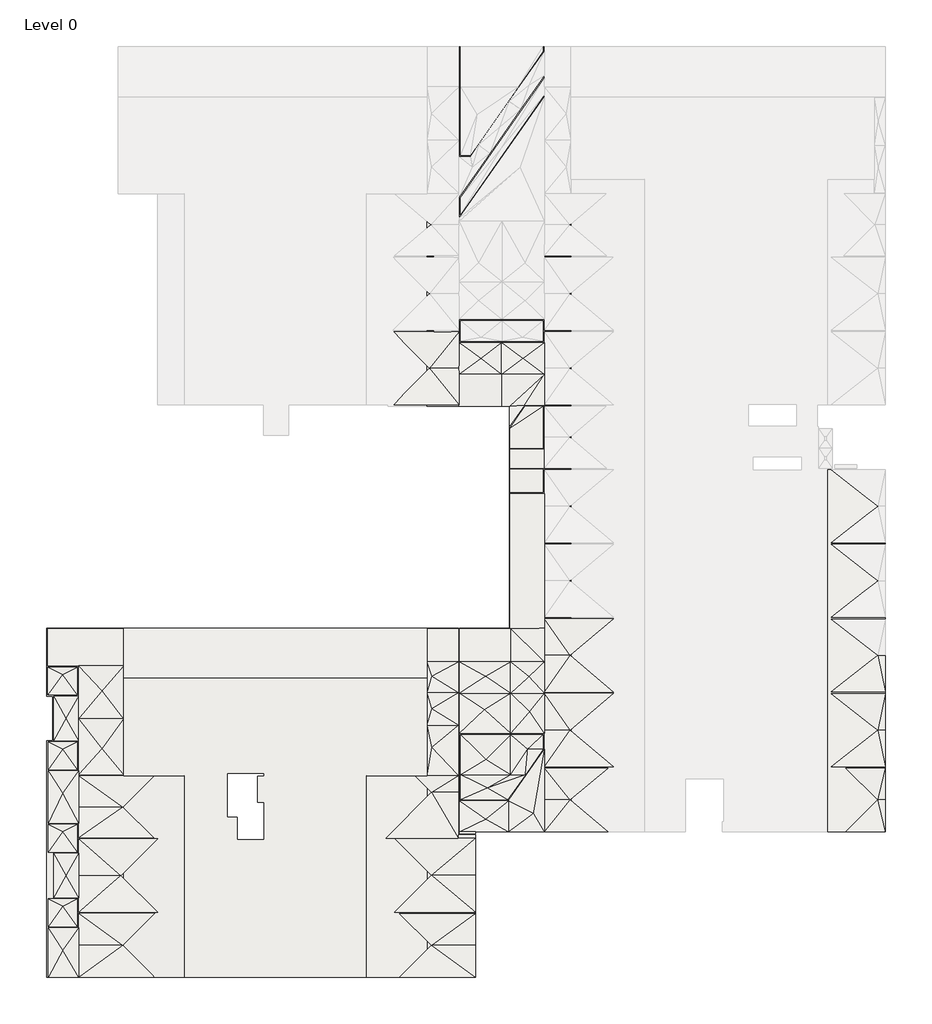
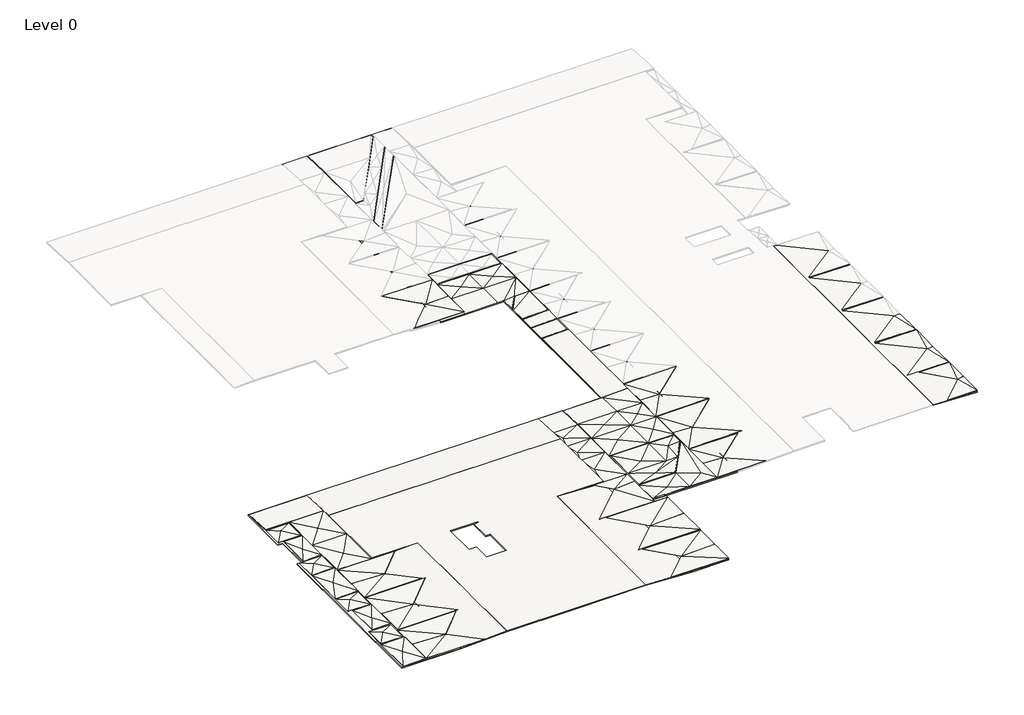
# One storey, part 1 of 2: 53 slabs.
"""IFC4 building model written with IfcOpenShell, lengths in millimetres."""

from ifc_helpers import new_model, si_unit, frame, origin, place, context, project, spatial, polyline, outline, extrude, faceted_brep, element, save

model = new_model("IFC4")

# Units and contexts
model_context = context("Model", 3, world=origin())
ifc_project = project(units=[si_unit("LENGTHUNIT", "METRE", prefix="MILLI")], contexts=[model_context])

# Site, building, storey
site = spatial("IfcSite", under=ifc_project)
building = spatial("IfcBuilding", under=site)
storey = spatial("IfcBuildingStorey", under=building, Name="Level 0", Elevation=0.0)

# Slabs
placement = place(None, origin())
element("IfcSlab", 1, ObjectType="125 Thick Level 1 Topping (+600 beams)", at=placement, inside=storey, context=model_context, shape_type="SweptSolid", body=[
    extrude(outline(polyline([(50179.7659553, -96764.1689347), (65623.7655601, -96764.1689347), (65623.7655601, -180984.1692066), (55371.7659576, -180984.1692066), (55371.7659576, -181184.1689347), (53651.7659553, -181184.1689347), (53651.7659553, -159164.168837), (59051.7660487, -159164.168837), (59051.7660487, -135364.1689347), (50179.7659553, -135364.1689347), (50179.7659553, -96764.1689347)])), frame((0.0, 0.0, -550.0), z_axis=(0.0, 0.0, 1.0), x_axis=(1.0, 0.0, 0.0)), (0.0, 0.0, 1.0), 125.0),
    extrude(outline(polyline([(50179.7659553, -159164.168837), (53551.7659553, -159164.168837), (53551.7659553, -181284.1689347), (55371.7659576, -181284.1689347), (55371.7659576, -196594.1689347), (50179.7659553, -196594.1689347), (50179.7659553, -159164.168837)])), frame((0.0, 0.0, -550.0), z_axis=(0.0, 0.0, 1.0), x_axis=(1.0, 0.0, 0.0)), (0.0, 0.0, 1.0), 125.0),
])
element("IfcSlab", 2, ObjectType="125 Thick Level 1 Topping (+600 beams)", at=placement, inside=storey, context=model_context, shape_type="SweptSolid", body=[
    extrude(outline(polyline([(9351.763187, -196594.1689347), (9351.763187, -171189.1689347), (9991.763187, -171189.1689347), (9991.763187, -166439.1689347), (9351.763187, -166439.1689347), (9351.763187, -159164.168837), (17623.7659553, -159164.168837), (17623.7659553, -196594.1689347), (9351.763187, -196594.1689347)])), frame((0.0, 0.0, -550.0), z_axis=(0.0, 0.0, 1.0), x_axis=(1.0, 0.0, 0.0)), (0.0, 0.0, 1.0), 125.0),
])
element("IfcSlab", 3, ObjectType="125 Thick Level 1 Topping (+600 beams)", at=placement, inside=storey, context=model_context, shape_type="SweptSolid", body=[
    extrude(outline(polyline([(-250.076193, 93106.7655601), (-468.1563985, 99351.7655601), (-343.0802055, 99351.7655601), (-125.0, 93106.7655601), (-250.076193, 93106.7655601)])), frame((0.0, -180984.1689347, 0.0), z_axis=(0.0, 1.0, 0.0), x_axis=(0.0, 0.0, 1.0)), (0.0, 0.0, 1.0), 38820.0),
])
element("IfcSlab", 4, ObjectType="125 Thick Level 1 Topping (+600 beams)", at=placement, inside=storey, context=model_context, shape_type="SweptSolid", body=[
    extrude(outline(polyline([(17623.7659553, -164528.1689347), (50179.7659553, -164528.1689347), (50179.7659553, -174950.1689347), (43706.7659553, -174950.1689347), (43706.7659553, -196594.1689347), (33452.4178691, -196594.1689347), (24096.7659553, -196594.1689347), (24096.7659553, -174951.1689347), (17623.7659553, -174951.1689347), (17623.7659553, -164528.1689347)]), holes=[polyline([(32625.7659553, -174769.1689347), (28786.7848881, -174769.1689347), (28786.7848881, -179364.1689347), (29876.7659553, -179364.1689347), (29876.7659553, -181764.1689347), (32626.7659553, -181764.1689347), (32626.7659553, -177864.1689347), (31956.7848881, -177864.1689347), (31956.7848881, -174969.1689347), (32625.7659553, -174969.1689347), (32625.7659553, -174769.1689347)])]), frame((0.0, 0.0, -250.0), z_axis=(0.0, 0.0, 1.0), x_axis=(1.0, 0.0, 0.0)), (0.0, 0.0, 1.0), 125.0),
])
element("IfcSlab", 5, ObjectType="125 Thick Level 1 Topping (+600 beams)", at=placement, inside=storey, context=model_context, shape_type="SweptSolid", body=[
    extrude(outline(polyline([(-250.1288114, 43706.7659553), (-544.0660214, 50179.7659553), (-418.93721, 50179.7659553), (-125.0, 43706.7659553), (-250.1288114, 43706.7659553)])), frame((0.0, -196594.1689347, 0.0), z_axis=(0.0, 1.0, 0.0), x_axis=(0.0, 0.0, 1.0)), (0.0, 0.0, 1.0), 21644.0),
])
element("IfcSlab", 6, ObjectType="125 Thick Level 1 Topping (+600 beams)", at=placement, inside=storey, context=model_context, shape_type="SweptSolid", body=[
    extrude(outline(polyline([(-159164.168837, -550.0893728), (-164528.1689347, -250.1952089), (-164528.1689347, -125.0), (-159164.168837, -424.894164), (-159164.168837, -550.0893728)])), frame((17623.7659553, 0.0, 0.0), z_axis=(1.0, 0.0, 0.0), x_axis=(0.0, 1.0, 0.0)), (0.0, 0.0, 1.0), 32556.0),
])
element("IfcSlab", 7, ObjectType="125 Thick Level 1 Topping (+600 beams)", at=placement, inside=storey, context=model_context, shape_type="SweptSolid", body=[
    extrude(outline(polyline([(-549.7316596, 17623.7659553), (-250.1338178, 24096.7659553), (-125.0, 24096.7659553), (-424.5978419, 17623.7659553), (-549.7316596, 17623.7659553)])), frame((0.0, -196594.1689347, 0.0), z_axis=(0.0, 1.0, 0.0), x_axis=(0.0, 0.0, 1.0)), (0.0, 0.0, 1.0), 21643.0),
])
element("IfcSlab", 8, ObjectType="75 Screed", at=placement, inside=storey, context=model_context, shape_type="Brep", body=[
    faceted_brep([(62773.7655613, -128504.1689347, -305.0), (62773.7655613, -128504.1689347, -300.0), (62773.7655613, -131926.6689347, -300.0), (62773.7655613, -135209.1689347, -300.0), (62773.7655613, -135209.1689347, -305.0), (62773.7655613, -131926.6689347, -305.0), (53629.7659553, -135364.1689347, -430.0), (53629.7659553, -135364.1689347, -425.0), (53629.7659553, -131926.6689347, -300.0), (53629.7659553, -128504.1689347, -300.0), (53629.7659553, -128504.1689347, -305.0), (53629.7659553, -131926.6689347, -305.0), (58179.4010299, -128504.1689347, -300.0), (58179.4010299, -128504.1689347, -305.0), (60631.9975409, -135209.1689347, -380.0), (60631.9975409, -135209.1689347, -385.0), (55956.9988266, -130208.0191298, -400.0), (55956.9988266, -130208.0191298, -405.0), (60476.0108989, -130208.0191298, -400.0), (60476.0108989, -130208.0191298, -405.0), (58179.4010299, -131926.6689347, -300.0), (58179.4010299, -135364.1689347, -425.0), (58179.4010299, -131926.6689347, -305.0), (58179.4010299, -135364.1689347, -430.0), (59051.7660487, -137465.9733905, -362.5), (59051.7660487, -137465.9733905, -367.5), (59051.7660487, -135364.1689347, -425.0), (59051.7660487, -135364.1689347, -430.0)], [[[0, 1, 2, 3, 4, 5]], [[6, 7, 8, 9, 10, 11]], [[10, 9, 12, 1, 0, 13]], [[4, 3, 14, 15]], [[9, 8, 16]], [[10, 17, 11]], [[1, 12, 18]], [[3, 2, 14]], [[0, 19, 13]], [[4, 15, 5]], [[20, 16, 8]], [[20, 8, 7, 21]], [[9, 16, 12]], [[12, 16, 20]], [[20, 2, 18]], [[12, 20, 18]], [[1, 18, 2]], [[22, 11, 17]], [[22, 23, 6, 11]], [[10, 13, 17]], [[13, 22, 17]], [[22, 19, 5]], [[13, 19, 22]], [[0, 5, 19]], [[15, 14, 24, 25]], [[25, 24, 26, 27]], [[27, 26, 21, 7, 6, 23]], [[26, 24, 14]], [[27, 15, 25]], [[20, 21, 26, 2]], [[22, 5, 27, 23]], [[2, 26, 14]], [[5, 15, 27]]]),
])
element("IfcSlab", 9, ObjectType="75 Screed", at=placement, inside=storey, context=model_context, shape_type="Brep", body=[
    faceted_brep([(62633.7655613, -135349.1689347, -305.0), (62633.7655613, -135349.1689347, -300.0), (62633.7655613, -139824.1689347, -300.0), (62633.7655613, -139824.1689347, -305.0), (59064.0533293, -139824.1689347, -425.0), (59064.0533293, -139824.1689347, -430.0), (59064.0533293, -137692.5078865, -430.0), (59064.0533293, -137692.5078865, -425.0), (60704.876928, -135349.1689347, -300.0), (60704.876928, -135349.1689347, -305.0)], [[[0, 1, 2, 3]], [[3, 2, 4, 5]], [[6, 7, 8, 9]], [[9, 8, 1, 0]], [[5, 4, 7, 6]], [[8, 7, 1]], [[9, 0, 6]], [[7, 4, 2, 1]], [[6, 0, 3, 5]]]),
])
element("IfcSlab", 10, ObjectType="75 Screed", at=placement, inside=storey, context=model_context, shape_type="SweptSolid", body=[
    extrude(outline(polyline([(-305.0, 62633.7655613), (-300.0, 62633.7655613), (-425.0, 59051.7660487), (-430.0, 59051.7660487), (-305.0, 62633.7655613)])), frame((0.0, -144564.1689347, 0.0), z_axis=(0.0, 1.0, 0.0), x_axis=(0.0, 0.0, 1.0)), (0.0, 0.0, 1.0), 2450.0),
])
element("IfcSlab", 11, ObjectType="75 Screed", at=placement, inside=storey, context=model_context, shape_type="Brep", body=[
    faceted_brep([(58834.7383905, -177524.1689347, -305.0), (58834.7383905, -177524.1689347, -300.0), (53791.7659553, -177524.1689347, -300.0), (53791.7659553, -177524.1689347, -305.0), (53791.7659553, -174839.1689347, -300.0), (53791.7659553, -170554.1689347, -300.0), (53791.7659553, -170554.1689347, -305.0), (53791.7659553, -174839.1689347, -305.0), (59151.3546971, -170554.1689347, -300.0), (62633.7655613, -170554.1689347, -300.0), (62633.7655613, -170554.1689347, -305.0), (59151.3546971, -170554.1689347, -305.0), (62633.7655613, -172098.5958532, -300.0), (62633.7655613, -172098.5958532, -305.0), (60720.8199688, -174830.5652881, -300.0), (60720.8199688, -174830.5652881, -305.0), (60974.4792392, -172103.325335, -400.0), (60974.4792392, -172103.325335, -405.0), (56644.1047397, -176274.0812342, -400.0), (56493.0224104, -173214.1689347, -400.0), (56644.1047397, -176274.0812342, -405.0), (56493.0224104, -173214.1689347, -405.0), (59151.3546971, -174839.1689347, -300.0), (59151.3546971, -174839.1689347, -305.0)], [[[0, 1, 2, 3]], [[3, 2, 4, 5, 6, 7]], [[6, 5, 8, 9, 10, 11]], [[10, 9, 12, 13]], [[13, 12, 14, 1, 0, 15]], [[12, 9, 16]], [[13, 17, 10]], [[2, 1, 18]], [[5, 4, 19]], [[3, 20, 0]], [[6, 21, 7]], [[2, 18, 4]], [[5, 19, 8]], [[12, 16, 14]], [[9, 8, 16]], [[8, 19, 22]], [[3, 7, 20]], [[6, 11, 21]], [[13, 15, 17]], [[10, 17, 11]], [[11, 23, 21]], [[1, 14, 18]], [[0, 20, 15]], [[4, 18, 22]], [[7, 23, 20]], [[4, 22, 19]], [[16, 22, 14]], [[8, 22, 16]], [[7, 21, 23]], [[17, 15, 23]], [[11, 17, 23]], [[18, 14, 22]], [[20, 23, 15]]]),
])
element("IfcSlab", 12, ObjectType="75 Screed", at=placement, inside=storey, context=model_context, shape_type="Brep", body=[
    faceted_brep([(62773.7655613, -159164.168837, -305.0), (62773.7655613, -159164.168837, -300.0), (62773.7655613, -162754.168837, -300.0), (62773.7655613, -166109.1688858, -300.0), (62773.7655613, -170414.1689347, -300.0), (62773.7655613, -170414.1689347, -305.0), (62773.7655613, -166109.1688858, -305.0), (62773.7655613, -162754.168837, -305.0), (59151.7660487, -170414.1689347, -300.0), (53651.7659553, -170414.1689347, -300.0), (53651.7659553, -170414.1689347, -305.0), (59151.7660487, -170414.1689347, -305.0), (53651.7659553, -166109.1688858, -300.0), (53651.7659553, -162754.168837, -300.0), (53651.7659553, -159164.168837, -425.0), (53651.7659553, -159164.168837, -430.0), (53651.7659553, -162754.168837, -305.0), (53651.7659553, -166109.1688858, -305.0), (59151.7660487, -159164.168837, -425.0), (59151.7660487, -159164.168837, -430.0), (56328.8971843, -167866.9537954, -400.0), (61186.5459311, -168084.4431529, -400.0), (56328.8971843, -167866.9537954, -405.0), (61186.5459311, -168084.4431529, -405.0), (59151.7660487, -166109.1688858, -300.0), (56466.7660487, -164294.7589171, -400.0), (59151.7660487, -166109.1688858, -305.0), (56466.7660487, -164294.7589171, -405.0), (59151.7660487, -162754.168837, -300.0), (59151.7660487, -162754.168837, -305.0), (61125.2685465, -164326.0754192, -400.0), (61125.2685465, -164326.0754192, -405.0)], [[[0, 1, 2, 3, 4, 5, 6, 7]], [[5, 4, 8, 9, 10, 11]], [[10, 9, 12, 13, 14, 15, 16, 17]], [[15, 14, 18, 1, 0, 19]], [[9, 8, 20]], [[4, 3, 21]], [[10, 22, 11]], [[5, 23, 6]], [[9, 20, 12]], [[12, 20, 24]], [[8, 24, 20]], [[12, 24, 25]], [[8, 21, 24]], [[4, 21, 8]], [[3, 24, 21]], [[10, 17, 22]], [[17, 26, 22]], [[11, 22, 26]], [[17, 27, 26]], [[11, 26, 23]], [[5, 11, 23]], [[6, 23, 26]], [[14, 13, 28, 18]], [[15, 19, 29, 16]], [[3, 2, 30]], [[6, 31, 7]], [[1, 18, 2]], [[0, 7, 19]], [[18, 28, 2]], [[19, 7, 29]], [[13, 25, 28]], [[24, 28, 25]], [[12, 25, 13]], [[16, 29, 27]], [[26, 27, 29]], [[17, 16, 27]], [[24, 30, 28]], [[3, 30, 24]], [[28, 30, 2]], [[26, 29, 31]], [[6, 26, 31]], [[29, 7, 31]]]),
])
element("IfcSlab", 13, ObjectType="75 Screed", at=placement, inside=storey, context=model_context, shape_type="SweptSolid", body=[
    extrude(outline(polyline([(-305.0, 62773.7655613), (-300.0, 62773.7655613), (-425.0, 59051.7660487), (-430.0, 59051.7660487), (-305.0, 62773.7655613)])), frame((0.0, -159164.168837, 0.0), z_axis=(0.0, 1.0, 0.0), x_axis=(0.0, 0.0, 1.0)), (0.0, 0.0, 1.0), 14459.9999023),
])
element("IfcSlab", 14, ObjectType="75 Screed", at=placement, inside=storey, context=model_context, shape_type="Brep", body=[
    faceted_brep([(50451.9742701, -131264.1689347, -430.0), (50451.9742701, -131264.1689347, -425.0), (46526.9742701, -127339.1689347, -260.0), (46526.9742701, -127339.1689347, -265.0), (53629.7659553, -127339.1689347, -285.0), (53629.7659553, -127339.1689347, -280.0), (53629.7659553, -131264.1689347, -300.0), (53629.7659553, -131264.1689347, -305.0)], [[[0, 1, 2, 3]], [[4, 5, 6, 7]], [[3, 2, 5, 4]], [[7, 6, 1, 0]], [[2, 1, 5]], [[3, 4, 0]], [[5, 1, 6]], [[4, 7, 0]]]),
])
element("IfcSlab", 15, ObjectType="75 Screed", at=placement, inside=storey, context=model_context, shape_type="SweptSolid", body=[
    extrude(outline(polyline([(-305.0, 62773.7655613), (-300.0, 62773.7655613), (-425.0, 59051.7660487), (-430.0, 59051.7660487), (-305.0, 62773.7655613)])), frame((0.0, -141974.1689347, 0.0), z_axis=(0.0, 1.0, 0.0), x_axis=(0.0, 0.0, 1.0)), (0.0, 0.0, 1.0), 2009.9999999),
])
element("IfcSlab", 16, ObjectType="75 Screed", at=placement, inside=storey, context=model_context, shape_type="Brep", body=[
    faceted_brep([(70201.3984111, -158139.1689364, -255.0), (70201.3984111, -158139.1689364, -250.0), (65523.7655591, -162064.1689364, -425.0), (65523.7655591, -162064.1689364, -430.0), (62773.7655613, -162064.1689364, -305.0), (62773.7655613, -162064.1689364, -300.0), (62773.7655613, -158139.1689364, -300.0), (62773.7655613, -158139.1689364, -305.0)], [[[0, 1, 2, 3]], [[4, 5, 6, 7]], [[7, 6, 1, 0]], [[3, 2, 5, 4]], [[2, 1, 6]], [[3, 7, 0]], [[2, 6, 5]], [[3, 4, 7]]]),
])
element("IfcSlab", 17, ObjectType="75 Screed", at=placement, inside=storey, context=model_context, shape_type="Brep", body=[
    faceted_brep([(65523.7655591, -162064.1689364, -430.0), (65523.7655591, -162064.1689364, -425.0), (70201.3984111, -165989.1689364, -250.0), (70201.3984111, -165989.1689364, -255.0), (62773.7655613, -165989.1689364, -305.0), (62773.7655613, -165989.1689364, -300.0), (62773.7655613, -162064.1689364, -300.0), (62773.7655613, -162064.1689364, -305.0)], [[[0, 1, 2, 3]], [[4, 5, 6, 7]], [[3, 2, 5, 4]], [[7, 6, 1, 0]], [[2, 1, 5]], [[3, 4, 0]], [[5, 1, 6]], [[4, 7, 0]]]),
])
element("IfcSlab", 18, ObjectType="75 Screed", at=placement, inside=storey, context=model_context, shape_type="Brep", body=[
    faceted_brep([(70201.3984111, -166139.1689364, -255.0), (70201.3984111, -166139.1689364, -250.0), (65523.7655591, -170064.1689364, -425.0), (65523.7655591, -170064.1689364, -430.0), (62773.7655613, -170064.1689364, -305.0), (62773.7655613, -170064.1689364, -300.0), (62773.7655613, -166139.1689364, -300.0), (62773.7655613, -166139.1689364, -305.0)], [[[0, 1, 2, 3]], [[4, 5, 6, 7]], [[7, 6, 1, 0]], [[3, 2, 5, 4]], [[2, 1, 6]], [[3, 7, 0]], [[2, 6, 5]], [[3, 4, 7]]]),
])
element("IfcSlab", 19, ObjectType="75 Screed", at=placement, inside=storey, context=model_context, shape_type="Brep", body=[
    faceted_brep([(65523.7655591, -170064.1689364, -430.0), (65523.7655591, -170064.1689364, -425.0), (70201.3984111, -173989.1689364, -250.0), (70201.3984111, -173989.1689364, -255.0), (62773.7655613, -173989.1689364, -305.0), (62773.7655613, -173989.1689364, -300.0), (62773.7655613, -170064.1689364, -300.0), (62773.7655613, -170064.1689364, -305.0)], [[[0, 1, 2, 3]], [[4, 5, 6, 7]], [[3, 2, 5, 4]], [[7, 6, 1, 0]], [[2, 1, 5]], [[3, 4, 0]], [[5, 1, 6]], [[4, 7, 0]]]),
])
element("IfcSlab", 20, ObjectType="75 Screed", at=placement, inside=storey, context=model_context, shape_type="Brep", body=[
    faceted_brep([(69602.5423907, -174139.1689364, -275.0), (69602.5423907, -174139.1689364, -270.0), (65523.7655591, -177561.6690706, -425.0), (65523.7655591, -177561.6690706, -430.0), (62773.7655613, -177561.6690706, -305.0), (62773.7655613, -177561.6690706, -300.0), (62773.7655613, -174139.1689364, -300.0), (62773.7655613, -174139.1689364, -305.0)], [[[0, 1, 2, 3]], [[4, 5, 6, 7]], [[7, 6, 1, 0]], [[3, 2, 5, 4]], [[2, 1, 6]], [[3, 7, 0]], [[2, 6, 5]], [[3, 4, 7]]]),
])
element("IfcSlab", 21, ObjectType="75 Screed", at=placement, inside=storey, context=model_context, shape_type="Brep", body=[
    faceted_brep([(53551.7659553, -159164.168837, -430.0), (53551.7659553, -159164.168837, -425.0), (53551.7659553, -162754.1689347, -300.0), (53551.7659553, -166064.1689347, -300.0), (53551.7659553, -169524.1688858, -300.0), (53551.7659553, -174950.1689347, -300.0), (53551.7659553, -174950.1689347, -305.0), (53551.7659553, -169524.1688858, -305.0), (53551.7659553, -166064.1689347, -305.0), (53551.7659553, -162754.1689347, -305.0), (50179.7659553, -174950.1689347, -300.0), (50179.7659553, -174950.1689347, -305.0), (50179.7659553, -169524.1688858, -300.0), (50179.7659553, -166064.1689347, -300.0), (50179.7659553, -162754.1689347, -300.0), (50179.7659553, -159164.168837, -425.0), (50179.7659553, -159164.168837, -430.0), (50179.7659553, -162754.1689347, -305.0), (50179.7659553, -166064.1689347, -305.0), (50179.7659553, -169524.1688858, -305.0), (50679.7659576, -171921.4046545, -400.0), (50679.7659576, -171921.4046545, -405.0), (50679.7659576, -167778.3054658, -400.0), (50679.7659576, -167778.3054658, -405.0), (50679.7659576, -164291.911975, -400.0), (50679.7659576, -164291.911975, -405.0)], [[[0, 1, 2, 3, 4, 5, 6, 7, 8, 9]], [[6, 5, 10, 11]], [[11, 10, 12, 13, 14, 15, 16, 17, 18, 19]], [[16, 15, 1, 0]], [[10, 5, 20]], [[15, 14, 2, 1]], [[11, 21, 6]], [[16, 0, 9, 17]], [[10, 20, 12]], [[11, 19, 21]], [[20, 4, 12]], [[22, 12, 4]], [[5, 4, 20]], [[21, 19, 7]], [[23, 7, 19]], [[6, 21, 7]], [[22, 13, 12]], [[14, 13, 24]], [[22, 4, 3]], [[22, 3, 13]], [[23, 19, 18]], [[17, 25, 18]], [[23, 8, 7]], [[23, 18, 8]], [[3, 24, 13]], [[14, 24, 2]], [[2, 24, 3]], [[8, 18, 25]], [[17, 9, 25]], [[9, 8, 25]]]),
])
element("IfcSlab", 22, ObjectType="75 Screed", at=placement, inside=storey, context=model_context, shape_type="Brep", body=[
    faceted_brep([(62773.7655613, -180984.1692066, -305.0), (62773.7655613, -180984.1692066, -300.0), (58897.6177776, -180984.1692066, -300.0), (53651.7659553, -180984.1692066, -300.0), (53651.7659553, -180984.1692066, -305.0), (58897.6177776, -180984.1692066, -305.0), (53651.7659553, -177664.1689347, -300.0), (53651.7659553, -177664.1689347, -305.0), (58907.6177776, -177664.1689347, -300.0), (58907.6177776, -177664.1689347, -305.0), (56473.0224104, -179619.1689347, -400.0), (56473.0224104, -179619.1689347, -405.0), (62773.7655613, -172142.7376836, -300.0), (62773.7655613, -172142.7376836, -305.0), (62773.7655613, -174064.1689347, -300.0), (62773.7655613, -174064.1689347, -305.0), (61598.5327661, -178990.5588858, -425.0), (61598.5327661, -178990.5588858, -430.0)], [[[0, 1, 2, 3, 4, 5]], [[4, 3, 6, 7]], [[7, 6, 8, 9]], [[6, 3, 10]], [[7, 11, 4]], [[6, 10, 8]], [[7, 9, 11]], [[9, 8, 12, 13]], [[13, 12, 14, 1, 0, 15]], [[16, 1, 14, 12]], [[16, 12, 8]], [[17, 13, 15, 0]], [[17, 9, 13]], [[16, 8, 2]], [[17, 5, 9]], [[3, 2, 10]], [[10, 2, 8]], [[16, 2, 1]], [[4, 11, 5]], [[11, 9, 5]], [[17, 0, 5]]]),
])
element("IfcSlab", 23, ObjectType="75 Screed", at=placement, inside=storey, context=model_context, shape_type="Brep", body=[
    faceted_brep([(12658.7659553, -188179.1689347, -305.0), (12658.7659553, -188179.1689347, -300.0), (12658.7659553, -191149.1689347, -300.0), (12658.7659553, -191149.1689347, -305.0), (9551.763187, -191149.1689347, -300.0), (9551.763187, -191149.1689347, -305.0), (9551.763187, -188179.1689347, -300.0), (9551.763187, -188179.1689347, -305.0), (11093.7514153, -188964.1689347, -400.0), (11093.7514153, -188964.1689347, -405.0)], [[[0, 1, 2, 3]], [[3, 2, 4, 5]], [[5, 4, 6, 7]], [[7, 6, 1, 0]], [[6, 4, 8]], [[7, 9, 5]], [[2, 1, 8]], [[4, 2, 8]], [[6, 8, 1]], [[3, 9, 0]], [[5, 9, 3]], [[7, 0, 9]]]),
])
element("IfcSlab", 24, ObjectType="75 Screed", at=placement, inside=storey, context=model_context, shape_type="Brep", body=[
    faceted_brep([(12658.7659553, -180179.1689347, -305.0), (12658.7659553, -180179.1689347, -300.0), (12658.7659553, -183149.1689347, -300.0), (12658.7659553, -183149.1689347, -305.0), (9551.763187, -183149.1689347, -300.0), (9551.763187, -183149.1689347, -305.0), (9551.763187, -180179.1689347, -300.0), (9551.763187, -180179.1689347, -305.0), (11093.7514153, -180964.1689347, -400.0), (11093.7514153, -180964.1689347, -405.0)], [[[0, 1, 2, 3]], [[3, 2, 4, 5]], [[5, 4, 6, 7]], [[7, 6, 1, 0]], [[6, 4, 8]], [[7, 9, 5]], [[2, 1, 8]], [[4, 2, 8]], [[6, 8, 1]], [[3, 9, 0]], [[5, 9, 3]], [[7, 0, 9]]]),
])
element("IfcSlab", 25, ObjectType="75 Screed", at=placement, inside=storey, context=model_context, shape_type="Brep", body=[
    faceted_brep([(12656.763187, -171329.1689347, -305.0), (12656.763187, -171329.1689347, -300.0), (12656.763187, -174299.1689347, -300.0), (12656.763187, -174299.1689347, -305.0), (9551.763187, -174299.1689347, -300.0), (9551.763187, -174299.1689347, -305.0), (9551.763187, -171329.1689347, -300.0), (9551.763187, -171329.1689347, -305.0), (11093.7514153, -172114.1689347, -400.0), (11093.7514153, -172114.1689347, -405.0)], [[[0, 1, 2, 3]], [[3, 2, 4, 5]], [[5, 4, 6, 7]], [[7, 6, 1, 0]], [[6, 4, 8]], [[7, 9, 5]], [[2, 1, 8]], [[4, 2, 8]], [[6, 8, 1]], [[3, 9, 0]], [[5, 9, 3]], [[7, 0, 9]]]),
])
element("IfcSlab", 26, ObjectType="75 Screed", at=placement, inside=storey, context=model_context, shape_type="Brep", body=[
    faceted_brep([(12656.763187, -163329.1689347, -305.0), (12656.763187, -163329.1689347, -300.0), (12656.763187, -166299.1689347, -300.0), (12656.763187, -166299.1689347, -305.0), (9491.763187, -166299.1689347, -300.0), (9491.763187, -166299.1689347, -305.0), (9491.763187, -163329.1689347, -300.0), (9491.763187, -163329.1689347, -305.0), (11073.7659553, -164114.1689347, -400.0), (11073.7659553, -164114.1689347, -405.0)], [[[0, 1, 2, 3]], [[3, 2, 4, 5]], [[5, 4, 6, 7]], [[7, 6, 1, 0]], [[6, 4, 8]], [[7, 9, 5]], [[2, 1, 8]], [[4, 2, 8]], [[6, 8, 1]], [[3, 9, 0]], [[5, 9, 3]], [[7, 0, 9]]]),
])
element("IfcSlab", 27, ObjectType="75 Screed", at=placement, inside=storey, context=model_context, shape_type="Brep", body=[
    faceted_brep([(20980.0159553, -189709.1689347, -275.0), (20980.0159553, -189709.1689347, -270.0), (17523.7659553, -193165.4189347, -425.0), (17523.7659553, -193165.4189347, -430.0), (12798.7659553, -193165.4189347, -265.0), (12798.7659553, -193165.4189347, -260.0), (12798.7659553, -189709.1689347, -260.0), (12798.7659553, -189709.1689347, -265.0)], [[[0, 1, 2, 3]], [[4, 5, 6, 7]], [[7, 6, 1, 0]], [[3, 2, 5, 4]], [[2, 1, 6]], [[3, 7, 0]], [[2, 6, 5]], [[3, 4, 7]]]),
])
element("IfcSlab", 28, ObjectType="75 Screed", at=placement, inside=storey, context=model_context, shape_type="Brep", body=[
    faceted_brep([(17523.7659553, -193165.4189347, -430.0), (17523.7659553, -193165.4189347, -425.0), (20952.5159553, -196594.1689347, -270.0), (20952.5159553, -196594.1689347, -275.0), (12798.7659553, -196594.1689347, -265.0), (12798.7659553, -196594.1689347, -260.0), (12798.7659553, -193165.4189347, -260.0), (12798.7659553, -193165.4189347, -265.0)], [[[0, 1, 2, 3]], [[4, 5, 6, 7]], [[3, 2, 5, 4]], [[7, 6, 1, 0]], [[2, 1, 5]], [[3, 4, 0]], [[5, 1, 6]], [[4, 7, 0]]]),
])
element("IfcSlab", 29, ObjectType="75 Screed", at=placement, inside=storey, context=model_context, shape_type="Brep", body=[
    faceted_brep([(12798.7659553, -191289.1689347, -265.0), (12798.7659553, -191289.1689347, -260.0), (12798.7659553, -196594.1689347, -260.0), (12798.7659553, -196594.1689347, -265.0), (9551.763187, -196594.1689347, -300.0), (9551.763187, -196594.1689347, -305.0), (9551.763187, -191289.1689347, -300.0), (9551.763187, -191289.1689347, -305.0), (11093.7514153, -193689.1689347, -400.0), (11093.7514153, -193689.1689347, -405.0)], [[[0, 1, 2, 3]], [[3, 2, 4, 5]], [[5, 4, 6, 7]], [[7, 6, 1, 0]], [[6, 4, 8]], [[7, 9, 5]], [[2, 1, 8]], [[4, 2, 8]], [[6, 8, 1]], [[3, 9, 0]], [[5, 9, 3]], [[7, 0, 9]]]),
])
element("IfcSlab", 30, ObjectType="75 Screed", at=placement, inside=storey, context=model_context, shape_type="Brep", body=[
    faceted_brep([(17305.0159553, -185664.1689347, -430.0), (17305.0159553, -185664.1689347, -425.0), (21260.0159553, -189619.1689347, -250.0), (21260.0159553, -189619.1689347, -255.0), (12798.7659553, -189619.1689347, -265.0), (12798.7659553, -189619.1689347, -260.0), (12798.7659553, -185664.1689347, -260.0), (12798.7659553, -185664.1689347, -265.0)], [[[0, 1, 2, 3]], [[4, 5, 6, 7]], [[3, 2, 5, 4]], [[7, 6, 1, 0]], [[2, 1, 5]], [[3, 4, 0]], [[5, 1, 6]], [[4, 7, 0]]]),
])
element("IfcSlab", 31, ObjectType="75 Screed", at=placement, inside=storey, context=model_context, shape_type="Brep", body=[
    faceted_brep([(12798.7659553, -183289.1689347, -265.0), (12798.7659553, -183289.1689347, -260.0), (12798.7659553, -188039.1689347, -260.0), (12798.7659553, -188039.1689347, -265.0), (10131.763187, -188039.1689347, -300.0), (10131.763187, -188039.1689347, -305.0), (10131.763187, -183289.1689347, -300.0), (10131.763187, -183289.1689347, -305.0), (11440.2645712, -185664.1689347, -400.0), (11440.2645712, -185664.1689347, -405.0)], [[[0, 1, 2, 3]], [[3, 2, 4, 5]], [[5, 4, 6, 7]], [[7, 6, 1, 0]], [[6, 4, 8]], [[7, 9, 5]], [[2, 1, 8]], [[4, 2, 8]], [[6, 8, 1]], [[3, 9, 0]], [[5, 9, 3]], [[7, 0, 9]]]),
])
element("IfcSlab", 32, ObjectType="75 Screed", at=placement, inside=storey, context=model_context, shape_type="Brep", body=[
    faceted_brep([(12798.7659553, -174439.1689347, -265.0), (12798.7659553, -174439.1689347, -260.0), (12798.7659553, -180039.1689347, -260.0), (12798.7659553, -180039.1689347, -265.0), (9551.763187, -180039.1689347, -300.0), (9551.763187, -180039.1689347, -305.0), (9551.763187, -174439.1689347, -300.0), (9551.763187, -174439.1689347, -305.0), (11093.7514153, -176839.1689347, -400.0), (11093.7514153, -176839.1689347, -405.0)], [[[0, 1, 2, 3]], [[3, 2, 4, 5]], [[5, 4, 6, 7]], [[7, 6, 1, 0]], [[6, 4, 8]], [[7, 9, 5]], [[2, 1, 8]], [[4, 2, 8]], [[6, 8, 1]], [[3, 9, 0]], [[5, 9, 3]], [[7, 0, 9]]]),
])
element("IfcSlab", 33, ObjectType="75 Screed", at=placement, inside=storey, context=model_context, shape_type="Brep", body=[
    faceted_brep([(12796.763187, -166439.1689347, -305.0), (12796.763187, -166439.1689347, -300.0), (12796.763187, -171189.1689347, -300.0), (12796.763187, -171189.1689347, -305.0), (10131.763187, -171189.1689347, -300.0), (10131.763187, -171189.1689347, -305.0), (10131.763187, -166439.1689347, -300.0), (10131.763187, -166439.1689347, -305.0), (11440.2645712, -168814.1689347, -400.0), (11440.2645712, -168814.1689347, -405.0)], [[[0, 1, 2, 3]], [[3, 2, 4, 5]], [[5, 4, 6, 7]], [[7, 6, 1, 0]], [[6, 4, 8]], [[7, 9, 5]], [[2, 1, 8]], [[4, 2, 8]], [[6, 8, 1]], [[3, 9, 0]], [[5, 9, 3]], [[7, 0, 9]]]),
])
element("IfcSlab", 34, ObjectType="75 Screed", at=placement, inside=storey, context=model_context, shape_type="Brep", body=[
    faceted_brep([(20887.5159553, -174951.1689347, -275.0), (20887.5159553, -174951.1689347, -270.0), (17523.0159553, -178315.6689347, -425.0), (17523.0159553, -178315.6689347, -430.0), (12798.7659553, -178315.6689347, -265.0), (12798.7659553, -178315.6689347, -260.0), (12798.7659553, -174951.1689347, -260.0), (12798.7659553, -174951.1689347, -265.0)], [[[0, 1, 2, 3]], [[4, 5, 6, 7]], [[7, 6, 1, 0]], [[3, 2, 5, 4]], [[2, 1, 6]], [[3, 7, 0]], [[2, 6, 5]], [[3, 4, 7]]]),
])
element("IfcSlab", 35, ObjectType="75 Screed", at=placement, inside=storey, context=model_context, shape_type="Brep", body=[
    faceted_brep([(17523.0159553, -178315.6689347, -430.0), (17523.0159553, -178315.6689347, -425.0), (20826.5159553, -181619.1689347, -270.0), (20826.5159553, -181619.1689347, -275.0), (12798.7659553, -181619.1689347, -265.0), (12798.7659553, -181619.1689347, -260.0), (12798.7659553, -178315.6689347, -260.0), (12798.7659553, -178315.6689347, -265.0)], [[[0, 1, 2, 3]], [[4, 5, 6, 7]], [[3, 2, 5, 4]], [[7, 6, 1, 0]], [[2, 1, 5]], [[3, 4, 0]], [[5, 1, 6]], [[4, 7, 0]]]),
])
element("IfcSlab", 36, ObjectType="75 Screed", at=placement, inside=storey, context=model_context, shape_type="Brep", body=[
    faceted_brep([(17623.7659553, -163189.1689347, -285.0), (17623.7659553, -163189.1689347, -280.0), (17623.7659553, -168856.4189347, -280.0), (17623.7659553, -174861.1689347, -300.0), (17623.7659553, -174861.1689347, -305.0), (17623.7659553, -168856.4189347, -285.0), (12796.763187, -174861.1689347, -300.0), (12796.763187, -174861.1689347, -305.0), (12796.763187, -168856.4189347, -280.0), (12796.763187, -163189.1689347, -280.0), (12796.763187, -163189.1689347, -285.0), (12796.763187, -168856.4189347, -285.0), (15303.2895882, -172068.133872, -400.0), (15298.8151943, -165873.9851071, -400.0), (15303.2895882, -172068.133872, -405.0), (15298.8151943, -165873.9851071, -405.0)], [[[0, 1, 2, 3, 4, 5]], [[4, 3, 6, 7]], [[7, 6, 8, 9, 10, 11]], [[10, 9, 1, 0]], [[6, 3, 12]], [[9, 13, 1]], [[7, 14, 4]], [[10, 0, 15]], [[1, 13, 2]], [[0, 5, 15]], [[6, 12, 8]], [[9, 8, 13]], [[12, 2, 8]], [[13, 8, 2]], [[3, 2, 12]], [[7, 11, 14]], [[10, 15, 11]], [[14, 11, 5]], [[15, 5, 11]], [[4, 14, 5]]]),
])
element("IfcSlab", 37, ObjectType="75 Screed", at=placement, inside=storey, context=model_context, shape_type="SweptSolid", body=[
    extrude(outline(polyline([(-163189.1689347, -285.0), (-163189.1689347, -280.0), (-159164.168837, -425.0), (-159164.168837, -430.0), (-163189.1689347, -285.0)])), frame((9491.763187, 0.0, 0.0), z_axis=(1.0, 0.0, 0.0), x_axis=(0.0, 1.0, 0.0)), (0.0, 0.0, 1.0), 8132.0027682),
])
element("IfcSlab", 38, ObjectType="75 Screed", at=placement, inside=storey, context=model_context, shape_type="Brep", body=[
    faceted_brep([(50646.7659576, -193165.4189347, -430.0), (50646.7659576, -193165.4189347, -425.0), (47218.0159576, -189736.6689347, -280.0), (47218.0159576, -189736.6689347, -285.0), (55371.7659576, -189736.6689347, -265.0), (55371.7659576, -189736.6689347, -260.0), (55371.7659576, -193165.4189347, -260.0), (55371.7659576, -193165.4189347, -265.0)], [[[0, 1, 2, 3]], [[4, 5, 6, 7]], [[3, 2, 5, 4]], [[7, 6, 1, 0]], [[2, 1, 5]], [[3, 4, 0]], [[5, 1, 6]], [[4, 7, 0]]]),
])
element("IfcSlab", 39, ObjectType="75 Screed", at=placement, inside=storey, context=model_context, shape_type="Brep", body=[
    faceted_brep([(47218.0159576, -196594.1689347, -285.0), (47218.0159576, -196594.1689347, -280.0), (50646.7659576, -193165.4189347, -425.0), (50646.7659576, -193165.4189347, -430.0), (55371.7659576, -193165.4189347, -265.0), (55371.7659576, -193165.4189347, -260.0), (55371.7659576, -196594.1689347, -260.0), (55371.7659576, -196594.1689347, -265.0)], [[[0, 1, 2, 3]], [[4, 5, 6, 7]], [[7, 6, 1, 0]], [[3, 2, 5, 4]], [[2, 1, 6]], [[3, 7, 0]], [[2, 6, 5]], [[3, 4, 7]]]),
])
element("IfcSlab", 40, ObjectType="75 Screed", at=placement, inside=storey, context=model_context, shape_type="Brep", body=[
    faceted_brep([(46683.0159576, -189591.6689347, -265.0), (46683.0159576, -189591.6689347, -260.0), (50646.7659576, -185627.9189347, -425.0), (50646.7659576, -185627.9189347, -430.0), (55371.7659576, -185627.9189347, -265.0), (55371.7659576, -185627.9189347, -260.0), (55371.7659576, -189591.6689347, -260.0), (55371.7659576, -189591.6689347, -265.0)], [[[0, 1, 2, 3]], [[4, 5, 6, 7]], [[7, 6, 1, 0]], [[3, 2, 5, 4]], [[2, 1, 6]], [[3, 7, 0]], [[2, 6, 5]], [[3, 4, 7]]]),
])
element("IfcSlab", 41, ObjectType="75 Screed", at=placement, inside=storey, context=model_context, shape_type="Brep", body=[
    faceted_brep([(45764.5159576, -181664.1689347, -205.0), (45764.5159576, -181664.1689347, -200.0), (50679.7659576, -176748.9189347, -425.0), (50679.7659576, -176748.9189347, -430.0), (53551.7659553, -176748.9189347, -265.0), (53551.7659553, -176748.9189347, -260.0), (53551.7659553, -181664.1689347, -260.0), (53551.7659553, -181664.1689347, -265.0)], [[[0, 1, 2, 3]], [[4, 5, 6, 7]], [[7, 6, 1, 0]], [[3, 2, 5, 4]], [[2, 1, 6]], [[3, 7, 0]], [[2, 6, 5]], [[3, 4, 7]]]),
])
element("IfcSlab", 42, ObjectType="75 Screed", at=placement, inside=storey, context=model_context, shape_type="Brep", body=[
    faceted_brep([(50679.7659576, -176748.9189347, -430.0), (50679.7659576, -176748.9189347, -425.0), (48881.0159576, -174950.1689347, -280.0), (48881.0159576, -174950.1689347, -285.0), (53551.7659553, -174950.1689347, -265.0), (53551.7659553, -174950.1689347, -260.0), (53551.7659553, -176748.9189347, -260.0), (53551.7659553, -176748.9189347, -265.0)], [[[0, 1, 2, 3]], [[4, 5, 6, 7]], [[3, 2, 5, 4]], [[7, 6, 1, 0]], [[2, 1, 5]], [[3, 4, 0]], [[5, 1, 6]], [[4, 7, 0]]]),
])
element("IfcSlab", 43, ObjectType="75 Screed", at=placement, inside=storey, context=model_context, shape_type="Brep", body=[
    faceted_brep([(98536.7655623, -177561.6690706, -305.0), (98536.7655623, -177561.6690706, -300.0), (95114.2654263, -174139.1689347, -180.0), (95114.2654263, -174139.1689347, -185.0), (99351.7655601, -174139.1689347, -185.0), (99351.7655601, -174139.1689347, -180.0), (99351.7655601, -177561.6690706, -200.0), (99351.7655601, -177561.6690706, -205.0)], [[[0, 1, 2, 3]], [[4, 5, 6, 7]], [[3, 2, 5, 4]], [[7, 6, 1, 0]], [[2, 1, 5]], [[3, 4, 0]], [[5, 1, 6]], [[4, 7, 0]]]),
])
element("IfcSlab", 44, ObjectType="75 Screed", at=placement, inside=storey, context=model_context, shape_type="Brep", body=[
    faceted_brep([(95114.2654263, -180984.1692066, -185.0), (95114.2654263, -180984.1692066, -180.0), (98536.7655623, -177561.6690706, -300.0), (98536.7655623, -177561.6690706, -305.0), (99351.7655601, -177561.6690706, -205.0), (99351.7655601, -177561.6690706, -200.0), (99351.7655601, -180984.1692066, -180.0), (99351.7655601, -180984.1692066, -185.0)], [[[0, 1, 2, 3]], [[4, 5, 6, 7]], [[7, 6, 1, 0]], [[3, 2, 5, 4]], [[2, 1, 6]], [[3, 7, 0]], [[2, 6, 5]], [[3, 4, 7]]]),
])
element("IfcSlab", 45, ObjectType="75 Screed", at=placement, inside=storey, context=model_context, shape_type="Brep", body=[
    faceted_brep([(65523.7655591, -177561.6690706, -430.0), (65523.7655591, -177561.6690706, -425.0), (69602.5423907, -180984.1692049, -270.0), (69602.5423907, -180984.1692049, -275.0), (62773.7655613, -180984.1692049, -305.0), (62773.7655613, -180984.1692049, -300.0), (62773.7655613, -177561.6690706, -300.0), (62773.7655613, -177561.6690706, -305.0)], [[[0, 1, 2, 3]], [[4, 5, 6, 7]], [[3, 2, 5, 4]], [[7, 6, 1, 0]], [[2, 1, 5]], [[3, 4, 0]], [[5, 1, 6]], [[4, 7, 0]]]),
])
element("IfcSlab", 46, ObjectType="75 Screed", at=placement, inside=storey, context=model_context, shape_type="Brep", body=[
    faceted_brep([(46526.9742701, -135189.1689347, -265.0), (46526.9742701, -135189.1689347, -260.0), (50451.9742701, -131264.1689347, -425.0), (50451.9742701, -131264.1689347, -430.0), (53629.7659553, -131264.1689347, -305.0), (53629.7659553, -131264.1689347, -300.0), (53629.7659553, -135189.1689347, -280.0), (53629.7659553, -135189.1689347, -285.0)], [[[0, 1, 2, 3]], [[4, 5, 6, 7]], [[7, 6, 1, 0]], [[3, 2, 5, 4]], [[2, 1, 6]], [[3, 7, 0]], [[2, 6, 5]], [[3, 4, 7]]]),
])
element("IfcSlab", 47, ObjectType="75 Screed", at=placement, inside=storey, context=model_context, shape_type="Brep", body=[
    faceted_brep([(93557.1937783, -165974.1689347, -140.0), (93557.1937783, -165974.1689347, -135.0), (98561.7655601, -162064.1689347, -315.0), (98561.7655601, -162064.1689347, -320.0), (99361.7655601, -162064.1689347, -305.0), (99361.7655601, -162064.1689347, -300.0), (99361.7655601, -165974.1689347, -180.0), (99361.7655601, -165974.1689347, -185.0)], [[[0, 1, 2, 3]], [[4, 5, 6, 7]], [[7, 6, 1, 0]], [[3, 2, 5, 4]], [[2, 1, 6]], [[3, 7, 0]], [[2, 6, 5]], [[3, 4, 7]]]),
])
element("IfcSlab", 48, ObjectType="75 Screed", at=placement, inside=storey, context=model_context, shape_type="Brep", body=[
    faceted_brep([(93557.1937783, -173974.1689347, -140.0), (93557.1937783, -173974.1689347, -135.0), (98561.7655601, -170064.1689347, -315.0), (98561.7655601, -170064.1689347, -320.0), (99361.7655601, -170064.1689347, -305.0), (99361.7655601, -170064.1689347, -300.0), (99361.7655601, -173974.1689347, -180.0), (99361.7655601, -173974.1689347, -185.0)], [[[0, 1, 2, 3]], [[4, 5, 6, 7]], [[7, 6, 1, 0]], [[3, 2, 5, 4]], [[2, 1, 6]], [[3, 7, 0]], [[2, 6, 5]], [[3, 4, 7]]]),
])
element("IfcSlab", 49, ObjectType="75 Screed", at=placement, inside=storey, context=model_context, shape_type="Brep", body=[
    faceted_brep([(98561.7655601, -170064.1689347, -320.0), (98561.7655601, -170064.1689347, -315.0), (93557.1937783, -166154.1689347, -135.0), (93557.1937783, -166154.1689347, -140.0), (99361.7655601, -166154.1689347, -185.0), (99361.7655601, -166154.1689347, -180.0), (99361.7655601, -170064.1689347, -300.0), (99361.7655601, -170064.1689347, -305.0)], [[[0, 1, 2, 3]], [[4, 5, 6, 7]], [[3, 2, 5, 4]], [[7, 6, 1, 0]], [[2, 1, 5]], [[3, 4, 0]], [[5, 1, 6]], [[4, 7, 0]]]),
])
element("IfcSlab", 50, ObjectType="75 Screed", at=placement, inside=storey, context=model_context, shape_type="Brep", body=[
    faceted_brep([(21260.0159553, -181709.1689347, -255.0), (21260.0159553, -181709.1689347, -250.0), (17305.0159553, -185664.1689347, -425.0), (17305.0159553, -185664.1689347, -430.0), (12798.7659553, -185664.1689347, -265.0), (12798.7659553, -185664.1689347, -260.0), (12798.7659553, -181709.1689347, -260.0), (12798.7659553, -181709.1689347, -265.0)], [[[0, 1, 2, 3]], [[4, 5, 6, 7]], [[7, 6, 1, 0]], [[3, 2, 5, 4]], [[2, 1, 6]], [[3, 7, 0]], [[2, 6, 5]], [[3, 4, 7]]]),
])
element("IfcSlab", 51, ObjectType="75 Screed", at=placement, inside=storey, context=model_context, shape_type="Brep", body=[
    faceted_brep([(50646.7659576, -185627.9189347, -430.0), (50646.7659576, -185627.9189347, -425.0), (46683.0159576, -181664.1689347, -260.0), (46683.0159576, -181664.1689347, -265.0), (55371.7659576, -181664.1689347, -265.0), (55371.7659576, -181664.1689347, -260.0), (55371.7659576, -185627.9189347, -260.0), (55371.7659576, -185627.9189347, -265.0)], [[[0, 1, 2, 3]], [[4, 5, 6, 7]], [[3, 2, 5, 4]], [[7, 6, 1, 0]], [[2, 1, 5]], [[3, 4, 0]], [[5, 1, 6]], [[4, 7, 0]]]),
])
element("IfcSlab", 52, ObjectType="75 Screed", at=placement, inside=storey, context=model_context, shape_type="SweptSolid", body=[
    extrude(outline(polyline([(53551.7659553, -181284.1689347), (55371.7659576, -181284.1689347), (55371.7659576, -181664.1689347), (53551.7659553, -181664.1689347), (53551.7659553, -181284.1689347)])), frame((0.0, 0.0, -265.0), z_axis=(0.0, 0.0, 1.0), x_axis=(1.0, 0.0, 0.0)), (0.0, 0.0, 1.0), 5.0),
])
element("IfcSlab", 53, ObjectType="75 Screed", at=placement, inside=storey, context=model_context, shape_type="SweptSolid", body=[
    extrude(outline(polyline([(53651.7659553, -180984.1692066), (55371.7659576, -180984.1692066), (55371.7659576, -181184.1689347), (53651.7659553, -181184.1689347), (53651.7659553, -180984.1692066)])), frame((0.0, 0.0, -265.0), z_axis=(0.0, 0.0, 1.0), x_axis=(1.0, 0.0, 0.0)), (0.0, 0.0, 1.0), 5.0),
])

save(model, "model.ifc")
